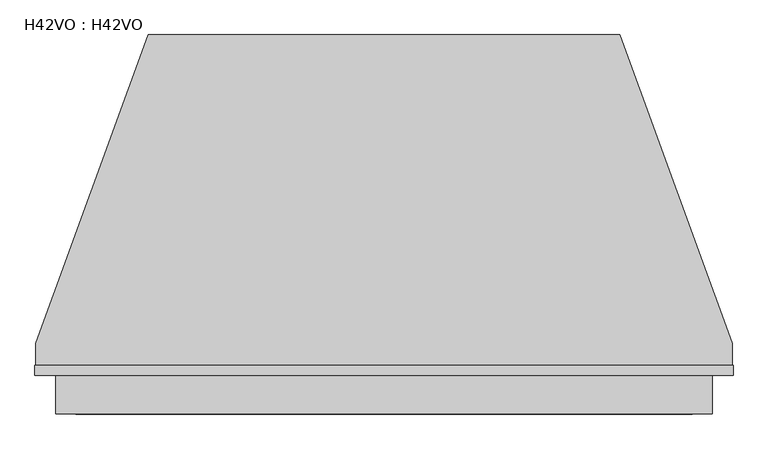
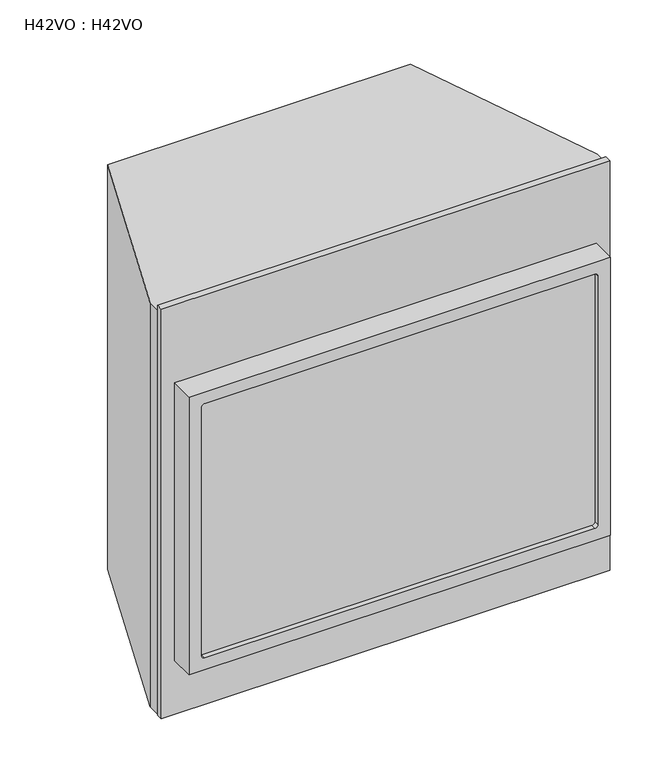
"""IFC4 building model written with IfcOpenShell, lengths in millimetres: proxy geometry, H42VO : H42VO."""

import ifcopenshell
import ifcopenshell.guid

model = None  # the IFC model being written
_history = None  # IfcOwnerHistory: only IFC2X3 demands one
_inside = {}  # id of a spatial element -> (the spatial element, [elements in it])
_under = {}  # id of a project, library or spatial element -> (it, [spatial elements below it])
_declared = {}  # id of a project -> (the project, [libraries it declares])
_typed = {}  # id of a type object -> (the type object, [elements of that type])
_made_of = {}  # id of a material, layer set ... -> (it, [elements and type objects made of it])


def new_model(schema):
    """Start an empty IFC model of exactly this schema.

    Asked for "IFC4X3", IfcOpenShell would pick the latest addendum, in which some entities
    have other attributes; the version numbers below select the first issue.
    IFC2X3 requires an IfcOwnerHistory on every rooted entity: one is made here for all.
    """
    global model, _history
    if schema == "IFC4X3":
        model = ifcopenshell.file(schema_version=(4, 3, 0, 0))
    else:
        model = ifcopenshell.file(schema=schema)
    _inside.clear()
    _under.clear()
    _declared.clear()
    _typed.clear()
    _made_of.clear()
    _history = None
    if model.schema == "IFC2X3":
        org = make("IfcOrganization", Name="unknown")
        user = make(
            "IfcPersonAndOrganization",
            ThePerson=make("IfcPerson", FamilyName="unknown"),
            TheOrganization=org,
        )
        app = make(
            "IfcApplication",
            ApplicationDeveloper=org,
            Version="unknown",
            ApplicationFullName="unknown",
            ApplicationIdentifier="unknown",
        )
        _history = make(
            "IfcOwnerHistory",
            OwningUser=user,
            OwningApplication=app,
            ChangeAction="ADDED",
            CreationDate=0,
        )
    return model


def make(cls, **values):
    """One entity of the class cls with the attributes given. An attribute that is None is left unset."""
    return model.create_entity(
        cls, **{name: value for name, value in values.items() if value is not None}
    )


def rooted(cls, **values):
    """An entity with a GlobalId (a new one), such as an element, a storey or a relation."""
    return make(cls, GlobalId=ifcopenshell.guid.new(), OwnerHistory=_history, **values)


def si_unit(unit_type, name, prefix=None):
    """IfcSIUnit, for example si_unit("LENGTHUNIT", "METRE", prefix="MILLI")."""
    return make("IfcSIUnit", UnitType=unit_type, Prefix=prefix, Name=name)


def assignment(units):
    """IfcUnitAssignment: the units of a project."""
    return None if units is None else make("IfcUnitAssignment", Units=units)


def point(xyz):
    """IfcCartesianPoint."""
    return None if xyz is None else make("IfcCartesianPoint", Coordinates=xyz)


def direction(xyz):
    """IfcDirection."""
    return None if xyz is None else make("IfcDirection", DirectionRatios=xyz)


def frame(location, z_axis=None, x_axis=None):
    """IfcAxis2Placement3D, a coordinate frame: its origin and axes. An axis left out is left unset."""
    return make(
        "IfcAxis2Placement3D",
        Location=point(location),
        Axis=direction(z_axis),
        RefDirection=direction(x_axis),
    )


def origin():
    """The frame at (0, 0, 0) with its axes left unset."""
    return frame((0.0, 0.0, 0.0))


def origin_with_axes():
    """The frame at (0, 0, 0) with the z axis (0, 0, 1) and the x axis (1, 0, 0) written out."""
    return frame((0.0, 0.0, 0.0), z_axis=(0.0, 0.0, 1.0), x_axis=(1.0, 0.0, 0.0))


def place(relative_to, where):
    """IfcLocalPlacement: puts the frame where relative to a parent placement (None: the world)."""
    return make(
        "IfcLocalPlacement", PlacementRelTo=relative_to, RelativePlacement=where
    )


def context(
    kind, dimensions, precision=None, world=None, true_north=None, identifier=None
):
    """IfcGeometricRepresentationContext, for example the 3D "Model" context."""
    return make(
        "IfcGeometricRepresentationContext",
        ContextIdentifier=identifier,
        ContextType=kind,
        CoordinateSpaceDimension=dimensions,
        Precision=precision,
        WorldCoordinateSystem=world,
        TrueNorth=true_north,
    )


def project(units=None, contexts=None):
    """IfcProject with its units and contexts."""
    return rooted(
        "IfcProject",
        Name="project",
        RepresentationContexts=contexts,
        UnitsInContext=assignment(units),
    )


def spatial(cls, under=None, at=None, **own):
    """A site, building, storey or space (cls), placed at a placement, below another one or the project."""
    s = rooted(cls, ObjectPlacement=at, **own)
    if under is not None:
        _under.setdefault(under.id(), (under, []))[1].append(s)
    return s


def polyline(points):
    """IfcPolyline through the points."""
    return make("IfcPolyline", Points=[point(p) for p in points])


def circle_curve(where, radius):
    """IfcCircle in the frame where."""
    return make("IfcCircle", Position=where, Radius=radius)


def outline(outer, holes=None, kind="AREA"):
    """IfcArbitraryClosedProfileDef: a profile drawn as a closed curve; with holes, ...WithVoids."""
    if holes is None:
        return make("IfcArbitraryClosedProfileDef", ProfileType=kind, OuterCurve=outer)
    return make(
        "IfcArbitraryProfileDefWithVoids",
        ProfileType=kind,
        OuterCurve=outer,
        InnerCurves=holes,
    )


def extrude(swept, where, along, depth):
    """IfcExtrudedAreaSolid: the profile swept, set in the frame where, extruded along a direction by depth."""
    return make(
        "IfcExtrudedAreaSolid",
        SweptArea=swept,
        Position=where,
        ExtrudedDirection=direction(along),
        Depth=depth,
    )


def shape(context_of_items, identifier, shape_type, items):
    """IfcShapeRepresentation: the items that make up one representation, for example the "Body"."""
    return make(
        "IfcShapeRepresentation",
        ContextOfItems=context_of_items,
        RepresentationIdentifier=identifier,
        RepresentationType=shape_type,
        Items=items,
    )


def source(mapping_origin, context_of_items, identifier, shape_type, items):
    """IfcRepresentationMap: a shape defined once, which mapped items show again and again."""
    return make(
        "IfcRepresentationMap",
        MappingOrigin=mapping_origin,
        MappedRepresentation=shape(context_of_items, identifier, shape_type, items),
    )


def transform(
    local_origin,
    x_axis=None,
    y_axis=None,
    z_axis=None,
    scale=None,
    scale2=None,
    scale3=None,
    uniform=True,
):
    """IfcCartesianTransformationOperator3D, or its non-uniform kind. x_axis, y_axis, z_axis: its Axis1, 2, 3."""
    if uniform:
        return make(
            "IfcCartesianTransformationOperator3D",
            Axis1=direction(x_axis),
            Axis2=direction(y_axis),
            LocalOrigin=point(local_origin),
            Scale=scale,
            Axis3=direction(z_axis),
        )
    return make(
        "IfcCartesianTransformationOperator3DnonUniform",
        Axis1=direction(x_axis),
        Axis2=direction(y_axis),
        LocalOrigin=point(local_origin),
        Scale=scale,
        Axis3=direction(z_axis),
        Scale2=scale2,
        Scale3=scale3,
    )


def mapped(mapping_source, mapping_target):
    """IfcMappedItem: shows the shape of a source again, moved by a transform."""
    return make(
        "IfcMappedItem", MappingSource=mapping_source, MappingTarget=mapping_target
    )


def made_of(thing, what):
    """Note that an element or type object is made of a material, layer set ...; save() writes the relation."""
    if what is not None:
        _made_of.setdefault(what.id(), (what, []))[1].append(thing)
    return thing


def element(
    cls,
    number,
    at=None,
    inside=None,
    cuts=None,
    type_object=None,
    material=None,
    context=None,
    identifier="Body",
    shape_type=None,
    held_by="IfcProductDefinitionShape",
    body=None,
    shapes=None,
    **own,
):
    """One element of the class cls, such as IfcWall. Its Tag is "e" and its number.

    at: its placement. inside: the storey or other place that contains it. cuts: it is an
    opening in that element (IfcRelVoidsElement). A single representation is given by context,
    identifier, shape_type and body (its items); several are given by shapes. held_by: the class
    of the entity that holds the representations. save() writes the other relations.
    """
    e = rooted(cls, Tag="e%d" % number, ObjectPlacement=at, **own)
    if body is not None:
        shapes = [shape(context, identifier, shape_type, body)]
    if shapes is not None:
        e.Representation = make(held_by, Representations=shapes)
    if inside is not None:
        _inside.setdefault(inside.id(), (inside, []))[1].append(e)
    if cuts is not None:
        rooted(
            "IfcRelVoidsElement", RelatingBuildingElement=cuts, RelatedOpeningElement=e
        )
    if type_object is not None:
        _typed.setdefault(type_object.id(), (type_object, []))[1].append(e)
    return made_of(e, material)


def aggregate(whole, parts):
    """IfcRelAggregates: a whole, such as a stair, and the parts it consists of."""
    return rooted("IfcRelAggregates", RelatingObject=whole, RelatedObjects=parts)


def save(model, path):
    """Write the relations noted so far, then the file.

    IfcRelAggregates (storeys below a building ...), IfcRelContainedInSpatialStructure (elements
    in a storey), IfcRelDefinesByType, IfcRelAssociatesMaterial and IfcRelDeclares: one each for
    every whole, place, type object, material and project.
    """
    for whole, parts in _under.values():
        aggregate(whole, parts)
    for where, things in _inside.values():
        rooted(
            "IfcRelContainedInSpatialStructure",
            RelatedElements=things,
            RelatingStructure=where,
        )
    for kind, things in _typed.values():
        rooted("IfcRelDefinesByType", RelatedObjects=things, RelatingType=kind)
    for what, things in _made_of.values():
        rooted("IfcRelAssociatesMaterial", RelatedObjects=things, RelatingMaterial=what)
    for by, libraries in _declared.values():
        rooted("IfcRelDeclares", RelatingContext=by, RelatedDefinitions=libraries)
    model.write(path)


def plane_surface(at):
    """IfcPlane: the flat surface through the origin of the frame at, square to its z axis."""
    return make("IfcPlane", Position=at)


def revolved_surface(curve, axis_point, axis_direction):
    """IfcSurfaceOfRevolution: the curve turned about the line through axis_point along axis_direction."""
    return make(
        "IfcSurfaceOfRevolution",
        SweptCurve=make("IfcArbitraryOpenProfileDef", ProfileType="CURVE", Curve=curve),
        AxisPosition=make("IfcAxis1Placement", Location=point(axis_point), Axis=direction(axis_direction)),
    )


def advanced_brep(points, edges, surfaces, faces):
    """IfcAdvancedBrep: a solid bounded by faces that lie on surfaces and meet in shared edges.

    An edge is (start, end): straight between two places in points (the first is 0);
    or (start, end, curve); or (start, end, curve, False) where it runs against its curve.
    A face is (place in surfaces, loops), or (place, loops, False) where it looks against
    its surface's normal. A loop lists edges by number (the first is 1), with a minus sign
    where the edge is run from its end to its start. The first loop is the outer one.
    """
    corners = [point(p) for p in points]
    vertices = [make("IfcVertexPoint", VertexGeometry=c) for c in corners]
    made = []
    for start, end, *more in edges:
        made.append(
            make(
                "IfcEdgeCurve",
                EdgeStart=vertices[start],
                EdgeEnd=vertices[end],
                EdgeGeometry=more[0] if more else make("IfcPolyline", Points=[corners[start], corners[end]]),
                SameSense=more[1] if len(more) > 1 else True,
            )
        )
    hull = []
    for where, loops, *sense in faces:
        bounds = []
        for j, loop in enumerate(loops):
            ring = [make("IfcOrientedEdge", EdgeElement=made[abs(k) - 1], Orientation=k > 0) for k in loop]
            bounds.append(
                make(
                    "IfcFaceOuterBound" if j == 0 else "IfcFaceBound",
                    Bound=make("IfcEdgeLoop", EdgeList=ring),
                    Orientation=True,
                )
            )
        hull.append(make("IfcAdvancedFace", Bounds=bounds, FaceSurface=surfaces[where], SameSense=sense[0] if sense else True))
    return make("IfcAdvancedBrep", Outer=make("IfcClosedShell", CfsFaces=hull))


def h42vo_h42vo_72089675(model_context):
    return source(origin(), model_context, "Body", "SolidModel", [
        advanced_brep(
        [(501.2671947, -15.8496201, 833.5530674), (-501.8159747, -15.8496201, 833.5530674), (-501.8159747, -74.6197999, 833.5530674), (501.2671947, -74.6197999, 833.5530674), (501.2671947, -15.8496201, 135.0530749), (501.2671947, -74.6197999, 135.0530749), (-501.8159747, -74.6197999, 135.0530749), (-501.8159747, -15.8496201, 135.0530749), (471.2248104, -74.6197999, 172.0804435), (464.2542079, -74.6197999, 165.0954583), (-464.2254152, -74.6197999, 165.0954583), (-471.2248127, -74.6197999, 172.0804435), (-471.2248102, -74.6197999, 796.5316223), (-464.222872, -74.6197999, 803.510685), (464.2228697, -74.6197999, 803.510685), (471.2248104, -74.6197999, 796.5257056), (471.2248127, -62.1207902, 172.0804435), (471.2248102, -62.1207902, 796.5257056), (464.2228697, -62.1207902, 803.510685), (-464.222872, -62.1207902, 803.510685), (-471.2248102, -62.1207902, 796.5316223), (-471.2248127, -62.1207902, 172.0804435), (-464.2254152, -62.1207902, 165.0954583), (464.2542079, -62.1207902, 165.0954583)],
        [
            (0, 1),
            (1, 2),
            (2, 3),
            (3, 0),
            (4, 5),
            (5, 6),
            (6, 7),
            (7, 4),
            (0, 4),
            (7, 1),
            (6, 2),
            (5, 3),
            (8, 9, circle_curve(frame((464.2398104, -74.6197999, 172.0804435), z_axis=(0.0, 1.0, 0.0), x_axis=(1.0, 0.0, 0.0)), 6.985)),
            (9, 10),
            (10, 11, circle_curve(frame((-464.2398127, -74.6197999, 172.0804435), z_axis=(0.0, 1.0, 0.0), x_axis=(1.0, 0.0, 0.0)), 6.985)),
            (11, 12),
            (12, 13, circle_curve(frame((-464.2398127, -74.6197999, 796.5257055), z_axis=(0.0, 1.0, 0.0), x_axis=(1.0, 0.0, 0.0)), 6.985)),
            (13, 14),
            (14, 15, circle_curve(frame((464.2398104, -74.6197999, 796.5257055), z_axis=(0.0, 1.0, 0.0), x_axis=(1.0, 0.0, 0.0)), 6.985)),
            (15, 8),
            (16, 17),
            (17, 18, circle_curve(frame((464.2398104, -62.1207902, 796.5257055), z_axis=(0.0, -1.0, 0.0), x_axis=(1.0, 0.0, 0.0)), 6.985)),
            (18, 19),
            (19, 20, circle_curve(frame((-464.2398127, -62.1207902, 796.5257055), z_axis=(0.0, -1.0, 0.0), x_axis=(1.0, 0.0, 0.0)), 6.985)),
            (20, 21),
            (21, 22, circle_curve(frame((-464.2398127, -62.1207902, 172.0804435), z_axis=(0.0, -1.0, 0.0), x_axis=(1.0, 0.0, 0.0)), 6.985)),
            (22, 23),
            (23, 16, circle_curve(frame((464.2398104, -62.1207902, 172.0804435), z_axis=(0.0, -1.0, 0.0), x_axis=(1.0, 0.0, 0.0)), 6.985)),
            (23, 9),
            (8, 16),
            (15, 17),
            (14, 18),
            (13, 19),
            (22, 10),
            (12, 20),
            (11, 21),
        ],
        [
            plane_surface(frame((-430.2633107, -15.8496201, 833.5530674), z_axis=(0.0, 0.0, 1.0), x_axis=(-1.0, 0.0, 0.0))),
            plane_surface(frame((-430.2633107, -15.8496201, 135.0530749), z_axis=(0.0, 0.0, -1.0), x_axis=(1.0, 0.0, 0.0))),
            plane_surface(frame((501.2671947, -15.8496201, 833.5530674), z_axis=(0.0, 1.0, 0.0), x_axis=(0.0, 0.0, -1.0))),
            plane_surface(frame((-501.8159747, -15.8496201, 833.5530674), z_axis=(-1.0, 0.0, 0.0), x_axis=(0.0, 0.0, -1.0))),
            plane_surface(frame((-501.8159747, -74.6197999, 833.5530674), z_axis=(0.0, -1.0, 0.0), x_axis=(0.0, 0.0, -1.0))),
            plane_surface(frame((501.2671947, -74.6197999, 833.5530674), z_axis=(1.0, 0.0, 0.0), x_axis=(0.0, 0.0, -1.0))),
            plane_surface(frame((471.2248127, -62.1207902, 180.876255), z_axis=(0.0, -1.0, 0.0), x_axis=(4.013098925577709e-09, 0.0, -1.0))),
            revolved_surface(polyline([(471.2248104, -74.6197999, 172.0804435), (471.2248104, -62.1207902, 172.0804435)]), (464.2398104, -62.1207902, 172.0804435), (0.0, -1.0, 0.0)),
            plane_surface(frame((471.2248127, -474.6625, 172.0804435), z_axis=(-1.0, 0.0, -4.013098925577709e-09), x_axis=(0.0, 1.0, 0.0))),
            revolved_surface(polyline([(471.2248104, -74.6197999, 796.5257055), (471.2248104, -62.1207902, 796.5257055)]), (464.2398104, -62.1207902, 796.5257055), (0.0, -1.0, 0.0)),
            plane_surface(frame((464.2228697, -474.6625, 803.510685), z_axis=(0.0, 0.0, -1.0), x_axis=(0.0, 1.0, 0.0))),
            plane_surface(frame((-464.2254152, -474.6625, 165.0954583), z_axis=(0.0, 0.0, 1.0), x_axis=(0.0, 1.0, 0.0))),
            revolved_surface(polyline([(-457.2548127, -74.6197999, 796.5257055), (-457.2548127, -62.1207902, 796.5257055)]), (-464.2398127, -62.1207902, 796.5257055), (0.0, -1.0, 0.0)),
            plane_surface(frame((-471.2248102, -474.6625, 796.5316223), z_axis=(1.0, 0.0, -4.013098958874143e-09), x_axis=(0.0, 1.0, 0.0))),
            revolved_surface(polyline([(-457.2548127, -74.6197999, 172.0804435), (-457.2548127, -62.1207902, 172.0804435)]), (-464.2398127, -62.1207902, 172.0804435), (0.0, -1.0, 0.0)),
        ],
        [
            (0, [[1, 2, 3, 4]]),
            (1, [[5, 6, 7, 8]]),
            (2, [[-1, 9, -8, 10]]),
            (3, [[-2, -10, -7, 11]]),
            (4, [[-3, -11, -6, 12], [13, 14, 15, 16, 17, 18, 19, 20]]),
            (5, [[-4, -12, -5, -9]]),
            (6, [[21, 22, 23, 24, 25, 26, 27, 28]]),
            (7, [[-28, 29, -13, 30]]),
            (8, [[-21, -30, -20, 31]]),
            (9, [[-22, -31, -19, 32]]),
            (10, [[-23, -32, -18, 33]]),
            (11, [[-27, 34, -14, -29]]),
            (12, [[-24, -33, -17, 35]]),
            (13, [[-25, -35, -16, 36]]),
            (14, [[-26, -36, -15, -34]]),
        ],
    ),
        extrude(outline(polyline([(533.3999991, 0.0), (533.3999991, -15.8496201), (-533.3999991, -15.8496201), (-533.3999991, 0.0), (533.3999991, 0.0)])), origin_with_axes(), (0.0, 0.0, 1.0), 1029.6093141),
        extrude(outline(polyline([(-360.0650858, 505.2390099), (360.0650858, 505.2390099), (531.812489, 33.3669058), (531.812489, 0.0), (-531.812489, 0.0), (-531.812489, 33.3669058), (-360.0650858, 505.2390099)])), origin_with_axes(), (0.0, 0.0, 1.0), 1016.0),
    ])


if __name__ == "__main__":
    model = new_model("IFC4")
    model_context = context("Model", 3, world=origin())
    ifc_project = project(units=[si_unit("LENGTHUNIT", "METRE", prefix="MILLI")], contexts=[model_context])
    site = spatial("IfcSite", under=ifc_project)
    building = spatial("IfcBuilding", under=site)
    placement = place(None, origin())
    h42vo_h42vo_shape = h42vo_h42vo_72089675(model_context)
    element("IfcBuildingElementProxy", 1, Name="H42VO : H42VO", ObjectType="H42VO : H42VO", at=placement, inside=building, context=model_context, shape_type="MappedRepresentation", body=[
        mapped(h42vo_h42vo_shape, transform((0.0, 0.0, 0.0), x_axis=(1.0, 0.0, 0.0), y_axis=(0.0, 1.0, 0.0), z_axis=(0.0, 0.0, 1.0))),
    ])
    save(model, "model.ifc")
